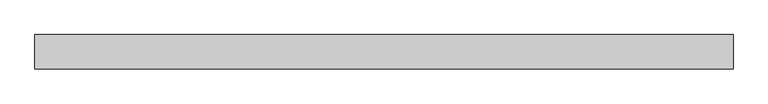
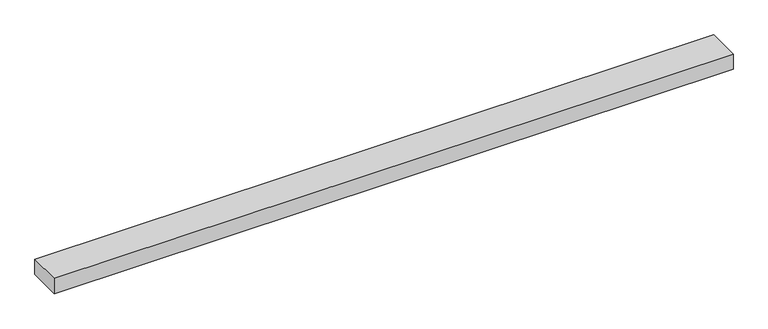
"""IFC4 building model written with IfcOpenShell, lengths in millimetres: proxy geometry."""

from ifc_helpers import new_model, si_unit, frame, origin, place, context, project, spatial, polyline, outline, extrude, source, transform, mapped, element, save


def specialty_equipment_06906673(model_context):
    return source(origin(), model_context, "Body", "SweptSolid", [
        extrude(outline(polyline([(-590.55, 29.2199219), (590.55, 29.2199219), (590.55, -29.2199219), (-590.55, -29.2199219), (-590.55, 29.2199219)])), frame((0.0, 0.0, -13.9898438), z_axis=(0.0, 0.0, 1.0), x_axis=(1.0, 0.0, 0.0)), (0.0, 0.0, 1.0), 27.9796875),
    ])


if __name__ == "__main__":
    model = new_model("IFC4")
    model_context = context("Model", 3, world=origin())
    ifc_project = project(units=[si_unit("LENGTHUNIT", "METRE", prefix="MILLI")], contexts=[model_context])
    site = spatial("IfcSite", under=ifc_project)
    building = spatial("IfcBuilding", under=site)
    placement = place(None, origin())
    specialty_equipment_shape = specialty_equipment_06906673(model_context)
    element("IfcBuildingElementProxy", 1, Name="Specialty Equipment", at=placement, inside=building, context=model_context, shape_type="MappedRepresentation", body=[
        mapped(specialty_equipment_shape, transform((0.0, 0.0, 0.0), x_axis=(1.0, 0.0, 0.0), y_axis=(0.0, 1.0, 0.0), z_axis=(0.0, 0.0, 1.0))),
    ])
    save(model, "model.ifc")
